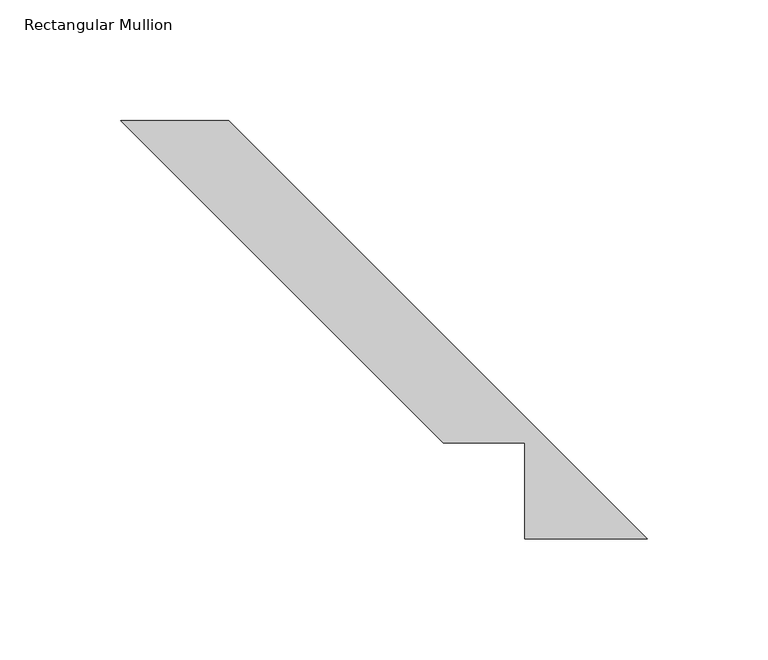
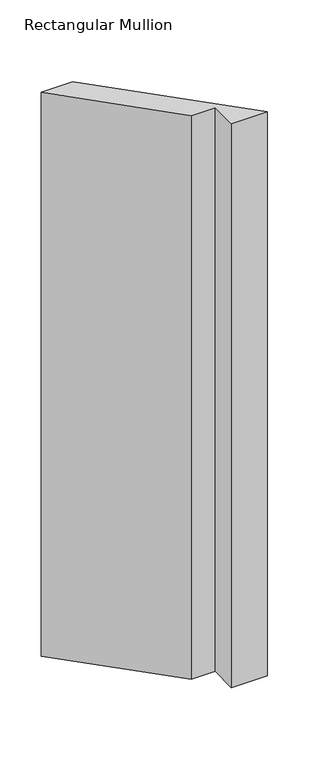
"""IFC4 building model written with IfcOpenShell, lengths in millimetres: member geometry, Rectangular Mullion."""

from ifc_helpers import new_model, si_unit, frame, origin, place, context, project, spatial, polyline, outline, extrude, source, transform, mapped, element, save


def rectangular_mullion_2e349218(model_context):
    return source(origin(), model_context, "Body", "SweptSolid", [
        extrude(outline(polyline([(-236.2739987, 191.3727182), (-191.3727181, 191.3727182), (-17.9577999, 17.9578), (-68.7578, 17.9578), (-68.7578, 57.6326), (-102.5338805, 57.6326), (-236.2739987, 191.3727182)])), frame((0.0, 0.0, -838.2), z_axis=(0.0, 0.0, 1.0), x_axis=(1.0, 0.0, 0.0)), (0.0, 0.0, 1.0), 838.2),
    ])


if __name__ == "__main__":
    model = new_model("IFC4")
    model_context = context("Model", 3, world=origin())
    ifc_project = project(units=[si_unit("LENGTHUNIT", "METRE", prefix="MILLI")], contexts=[model_context])
    site = spatial("IfcSite", under=ifc_project)
    building = spatial("IfcBuilding", under=site)
    placement = place(None, origin())
    rectangular_mullion_shape = rectangular_mullion_2e349218(model_context)
    element("IfcMember", 1, ObjectType="Rectangular Mullion", at=placement, inside=building, context=model_context, shape_type="MappedRepresentation", body=[
        mapped(rectangular_mullion_shape, transform((0.0, 0.0, 0.0), x_axis=(1.0, 0.0, 0.0), y_axis=(0.0, 1.0, 0.0), z_axis=(0.0, 0.0, 1.0))),
    ])
    save(model, "model.ifc")
